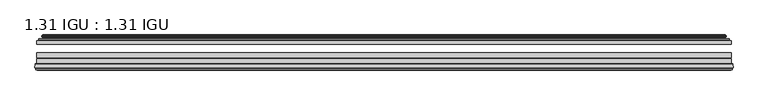
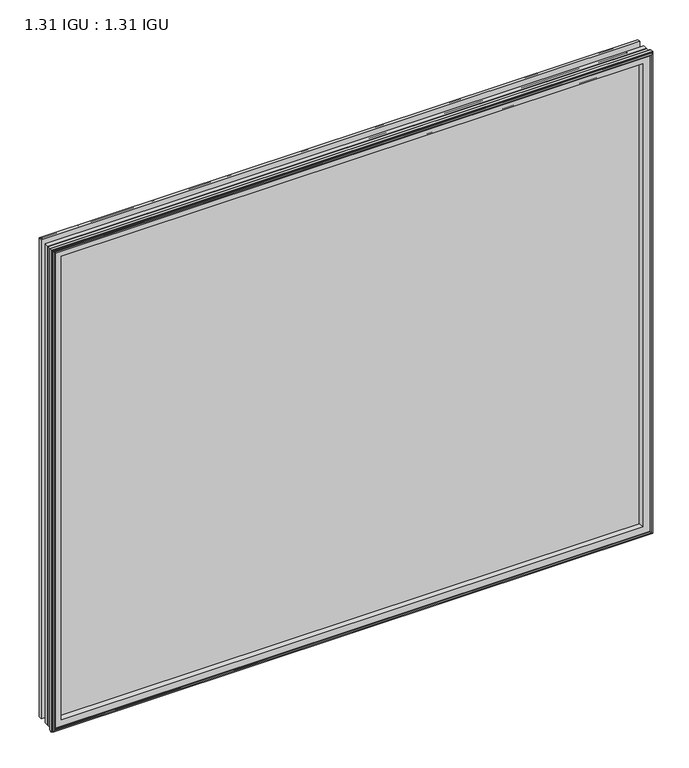
"""IFC4 building model written with IfcOpenShell, lengths in millimetres: plate geometry, 1.31 IGU : 1.31 IGU."""

from ifc_helpers import new_model, si_unit, frame, origin, place, context, project, spatial, polyline, ellipse_curve, outline, extrude, source, transform, mapped, element, save
from ifc_brep_helpers import plane_surface, cylinder_surface, revolved_surface, advanced_brep


def plate_1_31_igu_1_31_igu_85247c78(model_context):
    return source(origin(), model_context, "Body", "SolidModel", [
        extrude(outline(polyline([(515.9319169, -44.8960875), (515.9319169, -50.4332875), (-515.9368519, -50.4332875), (-515.9368519, -44.8960875), (515.9319169, -44.8960875)])), frame((0.0, 0.0, -14.2875), z_axis=(0.0, 0.0, 1.0), x_axis=(1.0, 0.0, 0.0)), (0.0, 0.0, 1.0), 873.1260851),
        extrude(outline(polyline([(-515.9368519, -78.7796875), (-515.9368519, -71.7692875), (515.9319169, -71.7692875), (515.9319169, -78.7796875), (-515.9368519, -78.7796875)])), frame((0.0, 0.0, -14.2875), z_axis=(0.0, 0.0, 1.0), x_axis=(1.0, 0.0, 0.0)), (0.0, 0.0, 1.0), 873.1260851),
        extrude(outline(polyline([(-515.9368519, -70.2452875), (-515.9368519, -63.1332875), (515.9319169, -63.1332875), (515.9319169, -70.2452875), (-515.9368519, -70.2452875)])), frame((0.0, 0.0, -14.2875), z_axis=(0.0, 0.0, 1.0), x_axis=(1.0, 0.0, 0.0)), (0.0, 0.0, 1.0), 873.1260851),
        advanced_brep(
        [(-518.4837559, -85.1296875, 861.385489), (-517.7889721, -79.4711276, 860.6907053), (-517.7889721, -79.4711276, -16.1396201), (-518.4837559, -85.1296875, -16.8344039), (-516.0961559, -87.1207518, 858.997889), (-516.5533559, -85.1296875, 859.455089), (-516.5533559, -85.1296875, -14.9040039), (-516.0961559, -87.1207518, -14.4468039), (-517.0975177, -86.8524376, 859.9992509), (-517.0975177, -86.8524376, -15.4481658), (-517.3407559, -87.7602147, 860.242489), (-517.3407559, -87.7602147, -15.6914039), (-515.3087559, -88.3046875, 858.210489), (-515.3087559, -88.3046875, -13.6594039), (-513.2767559, -87.7602147, 856.178489), (-513.2767559, -87.7602147, -11.6274039), (-513.519994, -86.8524376, 856.4217272), (-513.519994, -86.8524376, -11.8706421), (-514.5213559, -87.1207518, 857.423089), (-514.5213559, -87.1207518, -12.8720039), (-514.0641559, -85.1296875, 856.965889), (-514.0641559, -85.1296875, -12.4148039), (-517.0074412, -78.7796875, 859.9091744), (-517.0074412, -78.7796875, -15.3580893), (517.7889721, -79.4711276, -16.1396201), (518.4837559, -85.1296875, -16.8344039), (516.5533559, -85.1296875, -14.9040039), (516.0961559, -87.1207518, -14.4468039), (517.0975177, -86.8524376, -15.4481658), (517.3407559, -87.7602147, -15.6914039), (515.3087559, -88.3046875, -13.6594039), (513.2767559, -87.7602147, -11.6274039), (513.519994, -86.8524376, -11.8706421), (514.5213559, -87.1207518, -12.8720039), (514.0641559, -85.1296875, -12.4148039), (517.0074412, -78.7796875, -15.3580893), (517.7889721, -79.4711276, 860.6907053), (518.4837559, -85.1296875, 861.385489), (516.5533559, -85.1296875, 859.455089), (516.0961559, -87.1207518, 858.997889), (517.0975177, -86.8524376, 859.9992509), (517.3407559, -87.7602147, 860.242489), (515.3087559, -88.3046875, 858.210489), (513.2767559, -87.7602147, 856.178489), (513.519994, -86.8524376, 856.4217272), (514.5213559, -87.1207518, 857.423089), (514.0641559, -85.1296875, 856.965889), (517.0074412, -78.7796875, 859.9091744), (-501.6615651, -85.1296875, 844.5632982), (501.6615651, -85.1296875, 844.5632982), (501.6615651, -85.1296875, -0.0122131), (-501.6615651, -85.1296875, -0.0122131), (-498.3452882, -78.7796875, 3.3040638), (498.3452882, -78.7796875, 3.3040638), (498.3452882, -78.7796875, 841.2470213), (-498.3452882, -78.7796875, 841.2470213)],
        [
            (0, 1),
            (1, 2),
            (2, 3),
            (3, 0),
            (4, 5),
            (5, 6),
            (6, 7),
            (7, 4),
            (8, 4),
            (7, 9),
            (9, 8),
            (10, 8),
            (9, 11),
            (11, 10),
            (12, 10),
            (11, 13),
            (13, 12),
            (14, 12),
            (13, 15),
            (15, 14),
            (16, 14),
            (15, 17),
            (17, 16),
            (18, 16),
            (17, 19),
            (19, 18),
            (20, 18),
            (19, 21),
            (21, 20),
            (1, 22, ellipse_curve(frame((-517.0074412, -79.5670875, 859.9091744), z_axis=(-0.7071067811865475, 0.0, -0.7071067811865475), x_axis=(-0.7071067811865474, 0.0, 0.7071067811865476)), 1.1135518, 0.7874)),
            (22, 23),
            (23, 2, ellipse_curve(frame((-517.0074412, -79.5670875, -15.3580893), z_axis=(-0.7071067811865475, 0.0, 0.7071067811865475), x_axis=(0.7071067811865474, 0.0, 0.7071067811865476)), 1.1135518, 0.7874)),
            (2, 24),
            (24, 25),
            (25, 3),
            (6, 26),
            (26, 27),
            (27, 7),
            (27, 28),
            (28, 9),
            (28, 29),
            (29, 11),
            (29, 30),
            (30, 13),
            (30, 31),
            (31, 15),
            (31, 32),
            (32, 17),
            (32, 33),
            (33, 19),
            (33, 34),
            (34, 21),
            (23, 35),
            (35, 24, ellipse_curve(frame((517.0074412, -79.5670875, -15.3580893), z_axis=(-0.7071067811865475, 0.0, -0.7071067811865475), x_axis=(-0.7071067811865476, 0.0, 0.7071067811865474)), 1.1135518, 0.7874)),
            (24, 36),
            (36, 37),
            (37, 25),
            (26, 38),
            (38, 39),
            (39, 27),
            (39, 40),
            (40, 28),
            (40, 41),
            (41, 29),
            (41, 42),
            (42, 30),
            (42, 43),
            (43, 31),
            (43, 44),
            (44, 32),
            (44, 45),
            (45, 33),
            (45, 46),
            (46, 34),
            (35, 47),
            (47, 36, ellipse_curve(frame((517.0074412, -79.5670875, 859.9091744), z_axis=(0.7071067811865475, 0.0, -0.7071067811865475), x_axis=(-0.7071067811865474, 0.0, -0.7071067811865476)), 1.1135518, 0.7874)),
            (36, 1),
            (0, 37),
            (5, 38),
            (4, 39),
            (8, 40),
            (10, 41),
            (12, 42),
            (14, 43),
            (16, 44),
            (18, 45),
            (20, 46),
            (48, 49),
            (49, 50),
            (50, 51),
            (51, 48),
            (22, 47),
            (52, 53),
            (53, 54),
            (54, 55),
            (55, 52),
            (55, 48, ellipse_curve(frame((-490.4122701, -86.963653, 833.3140033), z_axis=(0.7071067811865475, 0.0, 0.7071067811865475), x_axis=(0.7071067811865474, 0.0, -0.7071067811865476)), 16.118937, 11.3978097)),
            (51, 52, ellipse_curve(frame((-490.4122701, -86.963653, 11.2370818), z_axis=(0.7071067811865475, 0.0, -0.7071067811865475), x_axis=(-0.7071067811865474, 0.0, -0.7071067811865476)), 16.118937, 11.3978097)),
            (50, 53, ellipse_curve(frame((490.4122701, -86.963653, 11.2370818), z_axis=(0.7071067811865475, 0.0, 0.7071067811865475), x_axis=(0.7071067811865476, 0.0, -0.7071067811865474)), 16.118937, 11.3978097)),
            (49, 54, ellipse_curve(frame((490.4122701, -86.963653, 833.3140033), z_axis=(-0.7071067811865475, 0.0, 0.7071067811865475), x_axis=(0.7071067811865474, 0.0, 0.7071067811865476)), 16.118937, 11.3978097)),
        ],
        [
            plane_surface(frame((-517.7889721, -79.4711276, 860.6907053), z_axis=(-0.9925461516413008, 0.12186934340532067, 0.0), x_axis=(0.0, 0.0, -1.0))),
            plane_surface(frame((-516.5533559, -85.1296875, 859.455089), z_axis=(-0.9746347637895997, -0.22380142361654332, 0.0), x_axis=(0.0, 0.0, -1.0))),
            plane_surface(frame((-516.0961559, -87.1207518, 858.997889), z_axis=(0.25881904510266784, 0.9659258262890289, 0.0), x_axis=(0.0, 0.0, -1.0))),
            plane_surface(frame((-517.0975177, -86.8524376, 859.9992509), z_axis=(-0.9659258262890449, 0.2588190451026083, 0.0), x_axis=(0.0, 0.0, -1.0))),
            plane_surface(frame((-517.3407559, -87.7602147, 860.242489), z_axis=(-0.2588190451025689, -0.9659258262890554, 0.0), x_axis=(0.0, 0.0, -1.0))),
            plane_surface(frame((-515.3087559, -88.3046875, 858.210489), z_axis=(0.25881904510241466, -0.9659258262890968, 0.0), x_axis=(0.0, 0.0, -1.0))),
            plane_surface(frame((-513.2767559, -87.7602147, 856.178489), z_axis=(0.9659258262890272, 0.25881904510267406, 0.0), x_axis=(0.0, 0.0, -1.0))),
            plane_surface(frame((-513.519994, -86.8524376, 856.4217272), z_axis=(-0.25881904510234177, 0.9659258262891163, 0.0), x_axis=(0.0, 0.0, -1.0))),
            plane_surface(frame((-514.5213559, -87.1207518, 857.423089), z_axis=(0.9746347637895936, -0.2238014236165695, 0.0), x_axis=(0.0, 0.0, -1.0))),
            cylinder_surface(frame((-517.0074412, -79.5670875, 876.3010851), z_axis=(0.0, 0.0, 1.0), x_axis=(-1.0, 0.0, 0.0)), 0.7874),
            plane_surface(frame((-517.7889721, -79.4711276, -16.1396201), z_axis=(0.0, 0.12186934340531747, -0.9925461516413012), x_axis=(1.0, 0.0, 0.0))),
            plane_surface(frame((-516.5533559, -85.1296875, -14.9040039), z_axis=(0.0, -0.22380142361654648, -0.9746347637895989), x_axis=(1.0, 0.0, 0.0))),
            plane_surface(frame((-516.0961559, -87.1207518, -14.4468039), z_axis=(0.0, 0.9659258262890298, 0.25881904510266474), x_axis=(1.0, 0.0, 0.0))),
            plane_surface(frame((-517.0975177, -86.8524376, -15.4481658), z_axis=(0.0, 0.25881904510260517, -0.9659258262890458), x_axis=(1.0, 0.0, 0.0))),
            plane_surface(frame((-517.3407559, -87.7602147, -15.6914039), z_axis=(0.0, -0.9659258262890563, -0.2588190451025658), x_axis=(1.0, 0.0, 0.0))),
            plane_surface(frame((-515.3087559, -88.3046875, -13.6594039), z_axis=(0.0, -0.965925826289096, 0.25881904510241777), x_axis=(1.0, 0.0, 0.0))),
            plane_surface(frame((-513.2767559, -87.7602147, -11.6274039), z_axis=(0.0, 0.2588190451026772, 0.9659258262890265), x_axis=(1.0, 0.0, 0.0))),
            plane_surface(frame((-513.519994, -86.8524376, -11.8706421), z_axis=(0.0, 0.9659258262891154, -0.2588190451023449), x_axis=(1.0, 0.0, 0.0))),
            plane_surface(frame((-514.5213559, -87.1207518, -12.8720039), z_axis=(0.0, -0.22380142361656633, 0.9746347637895943), x_axis=(1.0, 0.0, 0.0))),
            cylinder_surface(frame((-533.3993519, -79.5670875, -15.3580893), z_axis=(-1.0, 0.0, 0.0), x_axis=(0.0, 0.0, -1.0)), 0.7874),
            plane_surface(frame((517.7889721, -79.4711276, -16.1396201), z_axis=(0.9925461516413017, 0.12186934340531426, 0.0), x_axis=(0.0, 0.0, 1.0))),
            plane_surface(frame((516.5533559, -85.1296875, -14.9040039), z_axis=(0.9746347637895981, -0.22380142361654964, 0.0), x_axis=(0.0, 0.0, 1.0))),
            plane_surface(frame((516.0961559, -87.1207518, -14.4468039), z_axis=(-0.2588190451026616, 0.9659258262890307, 0.0), x_axis=(0.0, 0.0, 1.0))),
            plane_surface(frame((517.0975177, -86.8524376, -15.4481658), z_axis=(0.9659258262890467, 0.25881904510260206, 0.0), x_axis=(0.0, 0.0, 1.0))),
            plane_surface(frame((517.3407559, -87.7602147, -15.6914039), z_axis=(0.2588190451025627, -0.9659258262890572, 0.0), x_axis=(0.0, 0.0, 1.0))),
            plane_surface(frame((515.3087559, -88.3046875, -13.6594039), z_axis=(-0.2588190451024209, -0.9659258262890951, 0.0), x_axis=(0.0, 0.0, 1.0))),
            plane_surface(frame((513.2767559, -87.7602147, -11.6274039), z_axis=(-0.9659258262890256, 0.25881904510268033, 0.0), x_axis=(0.0, 0.0, 1.0))),
            plane_surface(frame((513.519994, -86.8524376, -11.8706421), z_axis=(0.25881904510234804, 0.9659258262891146, 0.0), x_axis=(0.0, 0.0, 1.0))),
            plane_surface(frame((514.5213559, -87.1207518, -12.8720039), z_axis=(-0.9746347637895951, -0.22380142361656316, 0.0), x_axis=(0.0, 0.0, 1.0))),
            cylinder_surface(frame((517.0074412, -79.5670875, -31.75), z_axis=(0.0, 0.0, -1.0), x_axis=(1.0, 0.0, 0.0)), 0.7874),
            plane_surface(frame((517.7889721, -79.4711276, 860.6907053), z_axis=(0.0, 0.12186934340531747, 0.9925461516413012), x_axis=(-1.0, 0.0, 0.0))),
            plane_surface(frame((518.4837559, -85.1296875, 861.385489), z_axis=(0.0, -1.0, 0.0), x_axis=(-1.0, 0.0, 0.0))),
            plane_surface(frame((516.5533559, -85.1296875, 859.455089), z_axis=(0.0, -0.22380142361654648, 0.9746347637895989), x_axis=(-1.0, 0.0, 0.0))),
            plane_surface(frame((516.0961559, -87.1207518, 858.997889), z_axis=(0.0, 0.9659258262890298, -0.25881904510266474), x_axis=(-1.0, 0.0, 0.0))),
            plane_surface(frame((517.0975177, -86.8524376, 859.9992509), z_axis=(0.0, 0.25881904510260517, 0.9659258262890458), x_axis=(-1.0, 0.0, 0.0))),
            plane_surface(frame((517.3407559, -87.7602147, 860.242489), z_axis=(0.0, -0.9659258262890563, 0.2588190451025658), x_axis=(-1.0, 0.0, 0.0))),
            plane_surface(frame((515.3087559, -88.3046875, 858.210489), z_axis=(0.0, -0.965925826289096, -0.25881904510241777), x_axis=(-1.0, 0.0, 0.0))),
            plane_surface(frame((513.2767559, -87.7602147, 856.178489), z_axis=(0.0, 0.2588190451026772, -0.9659258262890265), x_axis=(-1.0, 0.0, 0.0))),
            plane_surface(frame((513.519994, -86.8524376, 856.4217272), z_axis=(0.0, 0.9659258262891155, 0.25881904510234494), x_axis=(-1.0, 0.0, 0.0))),
            plane_surface(frame((514.5213559, -87.1207518, 857.423089), z_axis=(0.0, -0.22380142361656633, -0.9746347637895943), x_axis=(-1.0, 0.0, 0.0))),
            plane_surface(frame((514.0641559, -85.1296875, 856.965889), z_axis=(0.0, -1.0, 0.0), x_axis=(-1.0, 0.0, 0.0))),
            plane_surface(frame((498.3452882, -78.7796875, 841.2470213), z_axis=(0.0, 1.0, 0.0), x_axis=(-1.0, 0.0, 0.0))),
            cylinder_surface(frame((533.3993519, -79.5670875, 859.9091744), z_axis=(1.0, 0.0, 0.0), x_axis=(0.0, 0.0, 1.0)), 0.7874),
            revolved_surface(polyline([(-501.8100798, -86.963653, -0.1607278582187064), (-501.8100798, -86.963653, 844.7118129582187)]), (-490.4122701, -86.963653, 876.3010851), (0.0, 0.0, -1.0)),
            revolved_surface(polyline([(501.81007975821876, -86.963653, -0.16072789999999948), (-501.81007975821876, -86.963653, -0.16072789999999948)]), (-533.3993519, -86.963653, 11.2370818), (1.0, 0.0, 0.0)),
            revolved_surface(polyline([(501.8100798, -86.963653, 844.7118129582187), (501.8100798, -86.963653, -0.16072785821874191)]), (490.4122701, -86.963653, -31.75), (0.0, 0.0, 1.0)),
            revolved_surface(polyline([(-501.81007975821876, -86.963653, 844.711813), (501.81007975821876, -86.963653, 844.711813)]), (533.3993519, -86.963653, 833.3140033), (-1.0, 0.0, 0.0)),
        ],
        [
            (0, [[1, 2, 3, 4]]),
            (1, [[5, 6, 7, 8]]),
            (2, [[9, -8, 10, 11]]),
            (3, [[12, -11, 13, 14]]),
            (4, [[15, -14, 16, 17]]),
            (5, [[18, -17, 19, 20]]),
            (6, [[21, -20, 22, 23]]),
            (7, [[24, -23, 25, 26]]),
            (8, [[27, -26, 28, 29]]),
            (9, [[30, 31, 32, -2]]),
            (10, [[-3, 33, 34, 35]]),
            (11, [[-7, 36, 37, 38]]),
            (12, [[-10, -38, 39, 40]]),
            (13, [[-13, -40, 41, 42]]),
            (14, [[-16, -42, 43, 44]]),
            (15, [[-19, -44, 45, 46]]),
            (16, [[-22, -46, 47, 48]]),
            (17, [[-25, -48, 49, 50]]),
            (18, [[-28, -50, 51, 52]]),
            (19, [[-32, 53, 54, -33]]),
            (20, [[-34, 55, 56, 57]]),
            (21, [[-37, 58, 59, 60]]),
            (22, [[-39, -60, 61, 62]]),
            (23, [[-41, -62, 63, 64]]),
            (24, [[-43, -64, 65, 66]]),
            (25, [[-45, -66, 67, 68]]),
            (26, [[-47, -68, 69, 70]]),
            (27, [[-49, -70, 71, 72]]),
            (28, [[-51, -72, 73, 74]]),
            (29, [[-54, 75, 76, -55]]),
            (30, [[-56, 77, -1, 78]]),
            (31, [[-35, -57, -78, -4], [79, -58, -36, -6]]),
            (32, [[-59, -79, -5, 80]]),
            (33, [[-61, -80, -9, 81]]),
            (34, [[-63, -81, -12, 82]]),
            (35, [[-65, -82, -15, 83]]),
            (36, [[-67, -83, -18, 84]]),
            (37, [[-69, -84, -21, 85]]),
            (38, [[-71, -85, -24, 86]]),
            (39, [[-73, -86, -27, 87]]),
            (40, [[-52, -74, -87, -29], [88, 89, 90, 91]]),
            (41, [[92, -75, -53, -31], [93, 94, 95, 96]]),
            (42, [[-76, -92, -30, -77]]),
            (43, [[97, -91, 98, -96]]),
            (44, [[-98, -90, 99, -93]]),
            (45, [[-99, -89, 100, -94]]),
            (46, [[-100, -88, -97, -95]]),
        ],
    ),
        advanced_brep(
        [(-506.5915274, -37.7373382, 849.4932606), (-501.6498945, -36.3108875, 844.5516277), (-501.6498945, -36.3108875, -0.0005426), (-506.5915274, -37.7373382, -4.9421755), (-506.4264221, -36.9605789, 849.3281553), (-506.4264221, -36.9605789, -4.7770702), (-507.0219078, -36.4771203, 849.923641), (-507.0219078, -36.4771203, -5.3725559), (-508.2865436, -37.766076, 851.1882768), (-508.2865436, -37.766076, -6.6371917), (-508.2757268, -38.8797852, 851.17746), (-508.2757268, -38.8797852, -6.6263749), (-506.9942416, -40.1361433, 849.8959748), (-506.9942416, -40.1361433, -5.3448897), (-506.3892348, -39.649943, 849.290968), (-506.3892348, -39.649943, -4.7398829), (-506.9432491, -39.0959287, 849.8449823), (-506.9432491, -39.0959287, -5.2938972), (-504.6574407, -38.7029881, 847.5591739), (-504.6574407, -38.7029881, -3.0080887), (-503.1983676, -40.2107282, 846.1001008), (-503.1983676, -40.2107282, -1.5490157), (-503.4949495, -41.651269, 846.3966827), (-503.4949495, -41.651269, -1.8455976), (-504.266174, -42.2798875, 847.1679072), (-504.266174, -42.2798875, -2.6168221), (-512.5701503, -43.4871542, 855.4718835), (-512.2949489, -42.2798875, 855.1966821), (-512.2949489, -42.2798875, -10.6455969), (-512.5701503, -43.4871542, -10.9207984), (-509.1125817, -44.8960875, 852.0143149), (-509.1125817, -44.8960875, -7.4632297), (-498.0149579, -44.023302, 840.9166911), (-498.3702958, -44.8960875, 841.272029), (-498.3702958, -44.8960875, 3.2790561), (-498.0149579, -44.023302, 3.6343941), (-498.6861559, -43.3681812, 841.5878891), (-498.6861559, -43.3681812, 2.963196), (-500.3269465, -40.6686056, 843.2286797), (-500.3269465, -40.6686056, 1.3224054), (501.6498945, -36.3108875, -0.0005426), (506.5915274, -37.7373382, -4.9421755), (506.4264221, -36.9605789, -4.7770702), (507.0219078, -36.4771203, -5.3725559), (508.2865436, -37.766076, -6.6371917), (508.2757268, -38.8797852, -6.6263749), (506.9942416, -40.1361433, -5.3448897), (506.3892348, -39.649943, -4.7398829), (506.9432491, -39.0959287, -5.2938972), (504.6574407, -38.7029881, -3.0080887), (503.1983676, -40.2107282, -1.5490157), (503.4949495, -41.651269, -1.8455976), (504.266174, -42.2798875, -2.6168221), (512.2949489, -42.2798875, -10.6455969), (512.5701503, -43.4871542, -10.9207984), (509.1125817, -44.8960875, -7.4632297), (498.3702958, -44.8960875, 3.2790561), (498.0149579, -44.023302, 3.6343941), (498.6861559, -43.3681812, 2.963196), (500.3269465, -40.6686056, 1.3224054), (501.6498945, -36.3108875, 844.5516277), (506.5915274, -37.7373382, 849.4932606), (506.4264221, -36.9605789, 849.3281553), (507.0219078, -36.4771203, 849.923641), (508.2865436, -37.766076, 851.1882768), (508.2757268, -38.8797852, 851.17746), (506.9942416, -40.1361433, 849.8959748), (506.3892348, -39.649943, 849.290968), (506.9432491, -39.0959287, 849.8449823), (504.6574407, -38.7029881, 847.5591739), (503.1983676, -40.2107282, 846.1001008), (503.4949495, -41.651269, 846.3966827), (504.266174, -42.2798875, 847.1679072), (512.2949489, -42.2798875, 855.1966821), (512.5701503, -43.4871542, 855.4718835), (509.1125817, -44.8960875, 852.0143149), (498.3702958, -44.8960875, 841.272029), (498.0149579, -44.023302, 840.9166911), (498.6861559, -43.3681812, 841.5878891), (500.3269465, -40.6686056, 843.2286797)],
        [
            (0, 1),
            (1, 2),
            (2, 3),
            (3, 0),
            (4, 0),
            (3, 5),
            (5, 4),
            (6, 4, ellipse_curve(frame((-506.7469391, -36.746901, 849.6486723), z_axis=(-0.7071067811865475, 0.0, -0.7071067811865475), x_axis=(-0.7071067811865474, 0.0, 0.7071067811865476)), 0.5447741, 0.3852135)),
            (5, 7, ellipse_curve(frame((-506.7469391, -36.746901, -5.0975871), z_axis=(-0.7071067811865475, 0.0, 0.7071067811865475), x_axis=(0.7071067811865474, 0.0, 0.7071067811865476)), 0.5447741, 0.3852135)),
            (7, 6),
            (8, 6),
            (7, 9),
            (9, 8),
            (10, 8, ellipse_curve(frame((-507.7244906, -38.3175243, 850.6262238), z_axis=(-0.7071067811865475, 0.0, -0.7071067811865475), x_axis=(-0.7071067811865474, 0.0, 0.7071067811865476)), 1.1135518, 0.7874)),
            (9, 11, ellipse_curve(frame((-507.7244906, -38.3175243, -6.0751387), z_axis=(-0.7071067811865475, 0.0, 0.7071067811865475), x_axis=(0.7071067811865474, 0.0, 0.7071067811865476)), 1.1135518, 0.7874)),
            (11, 10),
            (12, 10),
            (11, 13),
            (13, 12),
            (14, 12, ellipse_curve(frame((-506.7206442, -39.8570738, 849.6223773), z_axis=(-0.7071067811865475, 0.0, -0.7071067811865475), x_axis=(-0.7071067811865474, 0.0, 0.7071067811865476)), 0.552694, 0.3908137)),
            (13, 15, ellipse_curve(frame((-506.7206442, -39.8570738, -5.0712922), z_axis=(-0.7071067811865475, 0.0, 0.7071067811865475), x_axis=(0.7071067811865474, 0.0, 0.7071067811865476)), 0.552694, 0.3908137)),
            (15, 14),
            (16, 14),
            (15, 17),
            (17, 16),
            (18, 16),
            (17, 19),
            (19, 18),
            (20, 18, ellipse_curve(frame((-504.442278, -39.954629, 847.3440112), z_axis=(0.7071067811865475, 0.0, 0.7071067811865475), x_axis=(0.7071067811865474, 0.0, -0.7071067811865476)), 1.7960512, 1.27)),
            (19, 21, ellipse_curve(frame((-504.442278, -39.954629, -2.7929261), z_axis=(0.7071067811865475, 0.0, -0.7071067811865475), x_axis=(-0.7071067811865474, 0.0, -0.7071067811865476)), 1.7960512, 1.27)),
            (21, 20),
            (22, 20),
            (21, 23),
            (23, 22),
            (24, 22, ellipse_curve(frame((-504.266174, -41.4924875, 847.1679072), z_axis=(0.7071067811865475, 0.0, 0.7071067811865475), x_axis=(0.7071067811865474, 0.0, -0.7071067811865476)), 1.1135518, 0.7874)),
            (23, 25, ellipse_curve(frame((-504.266174, -41.4924875, -2.6168221), z_axis=(0.7071067811865475, 0.0, -0.7071067811865475), x_axis=(-0.7071067811865474, 0.0, -0.7071067811865476)), 1.1135518, 0.7874)),
            (25, 24),
            (26, 27, ellipse_curve(frame((-512.2949489, -42.9148875, 855.1966821), z_axis=(-0.7071067811865475, 0.0, -0.7071067811865475), x_axis=(-0.7071067811865474, 0.0, 0.7071067811865476)), 0.8980256, 0.635)),
            (27, 28),
            (28, 29, ellipse_curve(frame((-512.2949489, -42.9148875, -10.6455969), z_axis=(-0.7071067811865475, 0.0, 0.7071067811865475), x_axis=(0.7071067811865474, 0.0, 0.7071067811865476)), 0.8980256, 0.635)),
            (29, 26),
            (30, 26),
            (29, 31),
            (31, 30),
            (32, 33, ellipse_curve(frame((-498.3702958, -44.3873602, 841.272029), z_axis=(-0.7071067811865475, 0.0, -0.7071067811865475), x_axis=(-0.7071067811865474, 0.0, 0.7071067811865476)), 0.719449, 0.5087273)),
            (33, 34),
            (34, 35, ellipse_curve(frame((-498.3702958, -44.3873602, 3.2790561), z_axis=(-0.7071067811865475, 0.0, 0.7071067811865475), x_axis=(0.7071067811865474, 0.0, 0.7071067811865476)), 0.719449, 0.5087273)),
            (35, 32),
            (36, 32),
            (35, 37),
            (37, 36),
            (38, 36, ellipse_curve(frame((-494.2507817, -38.823959, 837.1525149), z_axis=(0.7071067811865475, 0.0, 0.7071067811865475), x_axis=(0.7071067811865474, 0.0, -0.7071067811865476)), 8.9802561, 6.35)),
            (37, 39, ellipse_curve(frame((-494.2507817, -38.823959, 7.3985702), z_axis=(0.7071067811865475, 0.0, -0.7071067811865475), x_axis=(-0.7071067811865474, 0.0, -0.7071067811865476)), 8.9802561, 6.35)),
            (39, 38),
            (1, 38),
            (39, 2),
            (2, 40),
            (40, 41),
            (41, 3),
            (41, 42),
            (42, 5),
            (42, 43, ellipse_curve(frame((506.7469391, -36.746901, -5.0975871), z_axis=(-0.7071067811865475, 0.0, -0.7071067811865475), x_axis=(-0.7071067811865476, 0.0, 0.7071067811865474)), 0.5447741, 0.3852135)),
            (43, 7),
            (43, 44),
            (44, 9),
            (44, 45, ellipse_curve(frame((507.7244906, -38.3175243, -6.0751387), z_axis=(-0.7071067811865475, 0.0, -0.7071067811865475), x_axis=(-0.7071067811865476, 0.0, 0.7071067811865474)), 1.1135518, 0.7874)),
            (45, 11),
            (45, 46),
            (46, 13),
            (46, 47, ellipse_curve(frame((506.7206442, -39.8570738, -5.0712922), z_axis=(-0.7071067811865475, 0.0, -0.7071067811865475), x_axis=(-0.7071067811865476, 0.0, 0.7071067811865474)), 0.552694, 0.3908137)),
            (47, 15),
            (47, 48),
            (48, 17),
            (48, 49),
            (49, 19),
            (49, 50, ellipse_curve(frame((504.442278, -39.954629, -2.7929261), z_axis=(0.7071067811865475, 0.0, 0.7071067811865475), x_axis=(0.7071067811865476, 0.0, -0.7071067811865474)), 1.7960512, 1.27)),
            (50, 21),
            (50, 51),
            (51, 23),
            (51, 52, ellipse_curve(frame((504.266174, -41.4924875, -2.6168221), z_axis=(0.7071067811865475, 0.0, 0.7071067811865475), x_axis=(0.7071067811865476, 0.0, -0.7071067811865474)), 1.1135518, 0.7874)),
            (52, 25),
            (28, 53),
            (53, 54, ellipse_curve(frame((512.2949489, -42.9148875, -10.6455969), z_axis=(-0.7071067811865475, 0.0, -0.7071067811865475), x_axis=(-0.7071067811865476, 0.0, 0.7071067811865474)), 0.8980256, 0.635)),
            (54, 29),
            (54, 55),
            (55, 31),
            (34, 56),
            (56, 57, ellipse_curve(frame((498.3702958, -44.3873602, 3.2790561), z_axis=(-0.7071067811865475, 0.0, -0.7071067811865475), x_axis=(-0.7071067811865476, 0.0, 0.7071067811865474)), 0.719449, 0.5087273)),
            (57, 35),
            (57, 58),
            (58, 37),
            (58, 59, ellipse_curve(frame((494.2507817, -38.823959, 7.3985702), z_axis=(0.7071067811865475, 0.0, 0.7071067811865475), x_axis=(0.7071067811865476, 0.0, -0.7071067811865474)), 8.9802561, 6.35)),
            (59, 39),
            (59, 40),
            (40, 60),
            (60, 61),
            (61, 41),
            (61, 62),
            (62, 42),
            (62, 63, ellipse_curve(frame((506.7469391, -36.746901, 849.6486723), z_axis=(0.7071067811865475, 0.0, -0.7071067811865475), x_axis=(-0.7071067811865474, 0.0, -0.7071067811865476)), 0.5447741, 0.3852135)),
            (63, 43),
            (63, 64),
            (64, 44),
            (64, 65, ellipse_curve(frame((507.7244906, -38.3175243, 850.6262238), z_axis=(0.7071067811865475, 0.0, -0.7071067811865475), x_axis=(-0.7071067811865474, 0.0, -0.7071067811865476)), 1.1135518, 0.7874)),
            (65, 45),
            (65, 66),
            (66, 46),
            (66, 67, ellipse_curve(frame((506.7206442, -39.8570738, 849.6223773), z_axis=(0.7071067811865475, 0.0, -0.7071067811865475), x_axis=(-0.7071067811865474, 0.0, -0.7071067811865476)), 0.552694, 0.3908137)),
            (67, 47),
            (67, 68),
            (68, 48),
            (68, 69),
            (69, 49),
            (69, 70, ellipse_curve(frame((504.442278, -39.954629, 847.3440112), z_axis=(-0.7071067811865475, 0.0, 0.7071067811865475), x_axis=(0.7071067811865474, 0.0, 0.7071067811865476)), 1.7960512, 1.27)),
            (70, 50),
            (70, 71),
            (71, 51),
            (71, 72, ellipse_curve(frame((504.266174, -41.4924875, 847.1679072), z_axis=(-0.7071067811865475, 0.0, 0.7071067811865475), x_axis=(0.7071067811865474, 0.0, 0.7071067811865476)), 1.1135518, 0.7874)),
            (72, 52),
            (53, 73),
            (73, 74, ellipse_curve(frame((512.2949489, -42.9148875, 855.1966821), z_axis=(0.7071067811865475, 0.0, -0.7071067811865475), x_axis=(-0.7071067811865474, 0.0, -0.7071067811865476)), 0.8980256, 0.635)),
            (74, 54),
            (74, 75),
            (75, 55),
            (56, 76),
            (76, 77, ellipse_curve(frame((498.3702958, -44.3873602, 841.272029), z_axis=(0.7071067811865475, 0.0, -0.7071067811865475), x_axis=(-0.7071067811865474, 0.0, -0.7071067811865476)), 0.719449, 0.5087273)),
            (77, 57),
            (77, 78),
            (78, 58),
            (78, 79, ellipse_curve(frame((494.2507817, -38.823959, 837.1525149), z_axis=(-0.7071067811865475, 0.0, 0.7071067811865475), x_axis=(0.7071067811865474, 0.0, 0.7071067811865476)), 8.9802561, 6.35)),
            (79, 59),
            (79, 60),
            (60, 1),
            (0, 61),
            (4, 62),
            (6, 63),
            (8, 64),
            (10, 65),
            (12, 66),
            (14, 67),
            (16, 68),
            (18, 69),
            (20, 70),
            (22, 71),
            (24, 72),
            (27, 73),
            (26, 74),
            (30, 75),
            (33, 76),
            (32, 77),
            (36, 78),
            (38, 79),
        ],
        [
            plane_surface(frame((-501.6498945, -36.3108875, 844.5516277), z_axis=(-0.27733649284928463, 0.9607728502273879, 0.0), x_axis=(0.0, 0.0, -1.0))),
            plane_surface(frame((-506.5915274, -37.7373382, 849.4932606), z_axis=(0.9781476007338358, -0.2079116908176177, 0.0), x_axis=(0.0, 0.0, -1.0))),
            cylinder_surface(frame((-506.7469391, -36.746901, 876.3010851), z_axis=(0.0, 0.0, 1.0), x_axis=(-1.0, 0.0, 0.0)), 0.3852135),
            plane_surface(frame((-507.0219078, -36.4771203, 849.923641), z_axis=(-0.7138087599382162, 0.7003406701280928, 0.0), x_axis=(0.0, 0.0, -1.0))),
            cylinder_surface(frame((-507.7244906, -38.3175243, 876.3010851), z_axis=(0.0, 0.0, 1.0), x_axis=(-1.0, 0.0, 0.0)), 0.7874),
            plane_surface(frame((-508.2757268, -38.8797852, 851.17746), z_axis=(-0.7000714109283732, -0.7140728391423082, 0.0), x_axis=(0.0, 0.0, -1.0))),
            cylinder_surface(frame((-506.7206442, -39.8570738, 876.3010851), z_axis=(0.0, 0.0, 1.0), x_axis=(-1.0, 0.0, 0.0)), 0.3908137),
            plane_surface(frame((-506.3892348, -39.649943, 849.290968), z_axis=(0.7071067811861126, 0.7071067811869826, 0.0), x_axis=(0.0, 0.0, -1.0))),
            plane_surface(frame((-506.9432491, -39.0959287, 849.8449823), z_axis=(0.16941940671011482, -0.9855440449974789, 0.0), x_axis=(0.0, 0.0, -1.0))),
            revolved_surface(polyline([(-505.71227799999997, -39.954629, -4.0629260828783345), (-505.71227799999997, -39.954629, 848.6140111828782)]), (-504.442278, -39.954629, 876.3010851), (0.0, 0.0, -1.0)),
            plane_surface(frame((-503.1983676, -40.2107282, 846.1001008), z_axis=(-0.9794570432566897, 0.201652920670302, 0.0), x_axis=(0.0, 0.0, -1.0))),
            revolved_surface(polyline([(-505.05357399999997, -41.4924875, -3.4042221289824965), (-505.05357399999997, -41.4924875, 847.9553072289824)]), (-504.266174, -41.4924875, 876.3010851), (0.0, 0.0, -1.0)),
            cylinder_surface(frame((-512.2949489, -42.9148875, 876.3010851), z_axis=(0.0, 0.0, 1.0), x_axis=(-1.0, 0.0, 0.0)), 0.635),
            plane_surface(frame((-512.5701503, -43.4871542, 855.4718835), z_axis=(-0.37736447542757934, -0.9260648209954139, 0.0), x_axis=(0.0, 0.0, -1.0))),
            cylinder_surface(frame((-498.3702958, -44.3873602, 876.3010851), z_axis=(0.0, 0.0, 1.0), x_axis=(-1.0, 0.0, 0.0)), 0.5087273),
            plane_surface(frame((-498.0149579, -44.023302, 840.9166911), z_axis=(0.698484125849927, 0.7156255486884628, 0.0), x_axis=(0.0, 0.0, -1.0))),
            revolved_surface(polyline([(-500.6007817, -38.823959, 1.0485702148981773), (-500.6007817, -38.823959, 843.5025148851018)]), (-494.2507817, -38.823959, 876.3010851), (0.0, 0.0, -1.0)),
            plane_surface(frame((-500.3269465, -40.6686056, 843.2286797), z_axis=(0.9568763473517009, 0.2904955350411895, 0.0), x_axis=(0.0, 0.0, -1.0))),
            plane_surface(frame((-501.6498945, -36.3108875, -0.0005426), z_axis=(0.0, 0.960772850227387, -0.27733649284928774), x_axis=(1.0, 0.0, 0.0))),
            plane_surface(frame((-506.5915274, -37.7373382, -4.9421755), z_axis=(0.0, -0.20791169081761454, 0.9781476007338364), x_axis=(1.0, 0.0, 0.0))),
            cylinder_surface(frame((-533.3993519, -36.746901, -5.0975871), z_axis=(-1.0, 0.0, 0.0), x_axis=(0.0, 0.0, -1.0)), 0.3852135),
            plane_surface(frame((-507.0219078, -36.4771203, -5.3725559), z_axis=(0.0, 0.7003406701280904, -0.7138087599382185), x_axis=(1.0, 0.0, 0.0))),
            cylinder_surface(frame((-533.3993519, -38.3175243, -6.0751387), z_axis=(-1.0, 0.0, 0.0), x_axis=(0.0, 0.0, -1.0)), 0.7874),
            plane_surface(frame((-508.2757268, -38.8797852, -6.6263749), z_axis=(0.0, -0.7140728391423105, -0.7000714109283709), x_axis=(1.0, 0.0, 0.0))),
            cylinder_surface(frame((-533.3993519, -39.8570738, -5.0712922), z_axis=(-1.0, 0.0, 0.0), x_axis=(0.0, 0.0, -1.0)), 0.3908137),
            plane_surface(frame((-506.3892348, -39.649943, -4.7398829), z_axis=(0.0, 0.7071067811869849, 0.7071067811861103), x_axis=(1.0, 0.0, 0.0))),
            plane_surface(frame((-506.9432491, -39.0959287, -5.2938972), z_axis=(0.0, -0.9855440449974784, 0.16941940671011801), x_axis=(1.0, 0.0, 0.0))),
            revolved_surface(polyline([(505.7122779828783, -39.954629, -4.0629261), (-505.7122779828782, -39.954629, -4.0629261)]), (-533.3993519, -39.954629, -2.7929261), (1.0, 0.0, 0.0)),
            plane_surface(frame((-503.1983676, -40.2107282, -1.5490157), z_axis=(0.0, 0.20165292067029883, -0.9794570432566904), x_axis=(1.0, 0.0, 0.0))),
            revolved_surface(polyline([(505.05357402898244, -41.4924875, -3.4042220999999997), (-505.05357402898244, -41.4924875, -3.4042220999999997)]), (-533.3993519, -41.4924875, -2.6168221), (1.0, 0.0, 0.0)),
            cylinder_surface(frame((-533.3993519, -42.9148875, -10.6455969), z_axis=(-1.0, 0.0, 0.0), x_axis=(0.0, 0.0, -1.0)), 0.635),
            plane_surface(frame((-512.5701503, -43.4871542, -10.9207984), z_axis=(0.0, -0.9260648209954151, -0.37736447542757634), x_axis=(1.0, 0.0, 0.0))),
            cylinder_surface(frame((-533.3993519, -44.3873602, 3.2790561), z_axis=(-1.0, 0.0, 0.0), x_axis=(0.0, 0.0, -1.0)), 0.5087273),
            plane_surface(frame((-498.0149579, -44.023302, 3.6343941), z_axis=(0.0, 0.7156255486884651, 0.6984841258499247), x_axis=(1.0, 0.0, 0.0))),
            revolved_surface(polyline([(500.600781685102, -38.823959, 1.0485702000000003), (-500.6007816851019, -38.823959, 1.0485702000000003)]), (-533.3993519, -38.823959, 7.3985702), (1.0, 0.0, 0.0)),
            plane_surface(frame((-500.3269465, -40.6686056, 1.3224054), z_axis=(0.0, 0.29049553504119263, 0.9568763473517), x_axis=(1.0, 0.0, 0.0))),
            plane_surface(frame((501.6498945, -36.3108875, -0.0005426), z_axis=(0.27733649284929085, 0.9607728502273861, 0.0), x_axis=(0.0, 0.0, 1.0))),
            plane_surface(frame((506.5915274, -37.7373382, -4.9421755), z_axis=(-0.9781476007338371, -0.20791169081761138, 0.0), x_axis=(0.0, 0.0, 1.0))),
            cylinder_surface(frame((506.7469391, -36.746901, -31.75), z_axis=(0.0, 0.0, -1.0), x_axis=(1.0, 0.0, 0.0)), 0.3852135),
            plane_surface(frame((507.0219078, -36.4771203, -5.3725559), z_axis=(0.7138087599382208, 0.7003406701280882, 0.0), x_axis=(0.0, 0.0, 1.0))),
            cylinder_surface(frame((507.7244906, -38.3175243, -31.75), z_axis=(0.0, 0.0, -1.0), x_axis=(1.0, 0.0, 0.0)), 0.7874),
            plane_surface(frame((508.2757268, -38.8797852, -6.6263749), z_axis=(0.7000714109283687, -0.7140728391423128, 0.0), x_axis=(0.0, 0.0, 1.0))),
            cylinder_surface(frame((506.7206442, -39.8570738, -31.75), z_axis=(0.0, 0.0, -1.0), x_axis=(1.0, 0.0, 0.0)), 0.3908137),
            plane_surface(frame((506.3892348, -39.649943, -4.7398829), z_axis=(-0.7071067811861079, 0.7071067811869872, 0.0), x_axis=(0.0, 0.0, 1.0))),
            plane_surface(frame((506.9432491, -39.0959287, -5.2938972), z_axis=(-0.1694194067101212, -0.9855440449974778, 0.0), x_axis=(0.0, 0.0, 1.0))),
            revolved_surface(polyline([(505.71227799999997, -39.954629, 848.6140111828782), (505.71227799999997, -39.954629, -4.062926082878235)]), (504.442278, -39.954629, -31.75), (0.0, 0.0, 1.0)),
            plane_surface(frame((503.1983676, -40.2107282, -1.5490157), z_axis=(0.979457043256691, 0.20165292067029567, 0.0), x_axis=(0.0, 0.0, 1.0))),
            revolved_surface(polyline([(505.05357399999997, -41.4924875, 847.9553072289824), (505.05357399999997, -41.4924875, -3.404222128982486)]), (504.266174, -41.4924875, -31.75), (0.0, 0.0, 1.0)),
            cylinder_surface(frame((512.2949489, -42.9148875, -31.75), z_axis=(0.0, 0.0, -1.0), x_axis=(1.0, 0.0, 0.0)), 0.635),
            plane_surface(frame((512.5701503, -43.4871542, -10.9207984), z_axis=(0.37736447542757334, -0.9260648209954163, 0.0), x_axis=(0.0, 0.0, 1.0))),
            cylinder_surface(frame((498.3702958, -44.3873602, -31.75), z_axis=(0.0, 0.0, -1.0), x_axis=(1.0, 0.0, 0.0)), 0.5087273),
            plane_surface(frame((498.0149579, -44.023302, 3.6343941), z_axis=(-0.6984841258499224, 0.7156255486884673, 0.0), x_axis=(0.0, 0.0, 1.0))),
            revolved_surface(polyline([(500.6007817, -38.823959, 843.5025148851018), (500.6007817, -38.823959, 1.0485702148981417)]), (494.2507817, -38.823959, -31.75), (0.0, 0.0, 1.0)),
            plane_surface(frame((500.3269465, -40.6686056, 1.3224054), z_axis=(-0.9568763473516991, 0.29049553504119574, 0.0), x_axis=(0.0, 0.0, 1.0))),
            plane_surface(frame((501.6498945, -36.3108875, 844.5516277), z_axis=(0.0, 0.960772850227387, 0.27733649284928774), x_axis=(-1.0, 0.0, 0.0))),
            plane_surface(frame((506.5915274, -37.7373382, 849.4932606), z_axis=(0.0, -0.20791169081761454, -0.9781476007338364), x_axis=(-1.0, 0.0, 0.0))),
            cylinder_surface(frame((533.3993519, -36.746901, 849.6486723), z_axis=(1.0, 0.0, 0.0), x_axis=(0.0, 0.0, 1.0)), 0.3852135),
            plane_surface(frame((507.0219078, -36.4771203, 849.923641), z_axis=(0.0, 0.7003406701280904, 0.7138087599382185), x_axis=(-1.0, 0.0, 0.0))),
            cylinder_surface(frame((533.3993519, -38.3175243, 850.6262238), z_axis=(1.0, 0.0, 0.0), x_axis=(0.0, 0.0, 1.0)), 0.7874),
            plane_surface(frame((508.2757268, -38.8797852, 851.17746), z_axis=(0.0, -0.7140728391423106, 0.700071410928371), x_axis=(-1.0, 0.0, 0.0))),
            cylinder_surface(frame((533.3993519, -39.8570738, 849.6223773), z_axis=(1.0, 0.0, 0.0), x_axis=(0.0, 0.0, 1.0)), 0.3908137),
            plane_surface(frame((506.3892348, -39.649943, 849.290968), z_axis=(0.0, 0.7071067811869849, -0.7071067811861103), x_axis=(-1.0, 0.0, 0.0))),
            plane_surface(frame((506.9432491, -39.0959287, 849.8449823), z_axis=(0.0, -0.9855440449974784, -0.16941940671011801), x_axis=(-1.0, 0.0, 0.0))),
            revolved_surface(polyline([(-505.7122779828783, -39.954629, 848.6140111999999), (505.7122779828782, -39.954629, 848.6140111999999)]), (533.3993519, -39.954629, 847.3440112), (-1.0, 0.0, 0.0)),
            plane_surface(frame((503.1983676, -40.2107282, 846.1001008), z_axis=(0.0, 0.20165292067029883, 0.9794570432566904), x_axis=(-1.0, 0.0, 0.0))),
            revolved_surface(polyline([(-505.05357402898244, -41.4924875, 847.9553072), (505.05357402898244, -41.4924875, 847.9553072)]), (533.3993519, -41.4924875, 847.1679072), (-1.0, 0.0, 0.0)),
            plane_surface(frame((504.266174, -42.2798875, 847.1679072), z_axis=(0.0, 1.0, 0.0), x_axis=(-1.0, 0.0, 0.0))),
            cylinder_surface(frame((533.3993519, -42.9148875, 855.1966821), z_axis=(1.0, 0.0, 0.0), x_axis=(0.0, 0.0, 1.0)), 0.635),
            plane_surface(frame((512.5701503, -43.4871542, 855.4718835), z_axis=(0.0, -0.9260648209954151, 0.37736447542757634), x_axis=(-1.0, 0.0, 0.0))),
            plane_surface(frame((509.1125817, -44.8960875, 852.0143149), z_axis=(0.0, -1.0, 0.0), x_axis=(-1.0, 0.0, 0.0))),
            cylinder_surface(frame((533.3993519, -44.3873602, 841.272029), z_axis=(1.0, 0.0, 0.0), x_axis=(0.0, 0.0, 1.0)), 0.5087273),
            plane_surface(frame((498.0149579, -44.023302, 840.9166911), z_axis=(0.0, 0.7156255486884651, -0.6984841258499247), x_axis=(-1.0, 0.0, 0.0))),
            revolved_surface(polyline([(-500.600781685102, -38.823959, 843.5025149), (500.6007816851019, -38.823959, 843.5025149)]), (533.3993519, -38.823959, 837.1525149), (-1.0, 0.0, 0.0)),
            plane_surface(frame((500.3269465, -40.6686056, 843.2286797), z_axis=(0.0, 0.29049553504119263, -0.9568763473517), x_axis=(-1.0, 0.0, 0.0))),
        ],
        [
            (0, [[1, 2, 3, 4]]),
            (1, [[5, -4, 6, 7]]),
            (2, [[8, -7, 9, 10]]),
            (3, [[11, -10, 12, 13]]),
            (4, [[14, -13, 15, 16]]),
            (5, [[17, -16, 18, 19]]),
            (6, [[20, -19, 21, 22]]),
            (7, [[23, -22, 24, 25]]),
            (8, [[26, -25, 27, 28]]),
            (9, [[29, -28, 30, 31]]),
            (10, [[32, -31, 33, 34]]),
            (11, [[35, -34, 36, 37]]),
            (12, [[38, 39, 40, 41]]),
            (13, [[42, -41, 43, 44]]),
            (14, [[45, 46, 47, 48]]),
            (15, [[49, -48, 50, 51]]),
            (16, [[52, -51, 53, 54]]),
            (17, [[55, -54, 56, -2]]),
            (18, [[-3, 57, 58, 59]]),
            (19, [[-6, -59, 60, 61]]),
            (20, [[-9, -61, 62, 63]]),
            (21, [[-12, -63, 64, 65]]),
            (22, [[-15, -65, 66, 67]]),
            (23, [[-18, -67, 68, 69]]),
            (24, [[-21, -69, 70, 71]]),
            (25, [[-24, -71, 72, 73]]),
            (26, [[-27, -73, 74, 75]]),
            (27, [[-30, -75, 76, 77]]),
            (28, [[-33, -77, 78, 79]]),
            (29, [[-36, -79, 80, 81]]),
            (30, [[-40, 82, 83, 84]]),
            (31, [[-43, -84, 85, 86]]),
            (32, [[-47, 87, 88, 89]]),
            (33, [[-50, -89, 90, 91]]),
            (34, [[-53, -91, 92, 93]]),
            (35, [[-56, -93, 94, -57]]),
            (36, [[-58, 95, 96, 97]]),
            (37, [[-60, -97, 98, 99]]),
            (38, [[-62, -99, 100, 101]]),
            (39, [[-64, -101, 102, 103]]),
            (40, [[-66, -103, 104, 105]]),
            (41, [[-68, -105, 106, 107]]),
            (42, [[-70, -107, 108, 109]]),
            (43, [[-72, -109, 110, 111]]),
            (44, [[-74, -111, 112, 113]]),
            (45, [[-76, -113, 114, 115]]),
            (46, [[-78, -115, 116, 117]]),
            (47, [[-80, -117, 118, 119]]),
            (48, [[-83, 120, 121, 122]]),
            (49, [[-85, -122, 123, 124]]),
            (50, [[-88, 125, 126, 127]]),
            (51, [[-90, -127, 128, 129]]),
            (52, [[-92, -129, 130, 131]]),
            (53, [[-94, -131, 132, -95]]),
            (54, [[-96, 133, -1, 134]]),
            (55, [[-98, -134, -5, 135]]),
            (56, [[-100, -135, -8, 136]]),
            (57, [[-102, -136, -11, 137]]),
            (58, [[-104, -137, -14, 138]]),
            (59, [[-106, -138, -17, 139]]),
            (60, [[-108, -139, -20, 140]]),
            (61, [[-110, -140, -23, 141]]),
            (62, [[-112, -141, -26, 142]]),
            (63, [[-114, -142, -29, 143]]),
            (64, [[-116, -143, -32, 144]]),
            (65, [[-118, -144, -35, 145]]),
            (66, [[146, -120, -82, -39], [-81, -119, -145, -37]]),
            (67, [[-121, -146, -38, 147]]),
            (68, [[-123, -147, -42, 148]]),
            (69, [[-86, -124, -148, -44], [149, -125, -87, -46]]),
            (70, [[-126, -149, -45, 150]]),
            (71, [[-128, -150, -49, 151]]),
            (72, [[-130, -151, -52, 152]]),
            (73, [[-132, -152, -55, -133]]),
        ],
    ),
    ])


if __name__ == "__main__":
    model = new_model("IFC4")
    model_context = context("Model", 3, world=origin())
    ifc_project = project(units=[si_unit("LENGTHUNIT", "METRE", prefix="MILLI")], contexts=[model_context])
    site = spatial("IfcSite", under=ifc_project)
    building = spatial("IfcBuilding", under=site)
    placement = place(None, origin())
    plate_1_31_igu_1_31_igu_shape = plate_1_31_igu_1_31_igu_85247c78(model_context)
    element("IfcPlate", 1, ObjectType="1.31 IGU : 1.31 IGU", at=placement, inside=building, context=model_context, shape_type="MappedRepresentation", body=[
        mapped(plate_1_31_igu_1_31_igu_shape, transform((0.0, 0.0, 0.0), x_axis=(1.0, 0.0, 0.0), y_axis=(0.0, 1.0, 0.0), z_axis=(0.0, 0.0, 1.0))),
    ])
    save(model, "model.ifc")
